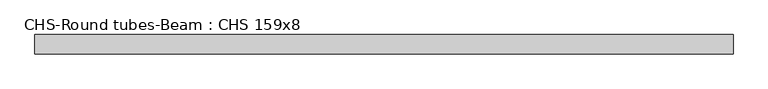
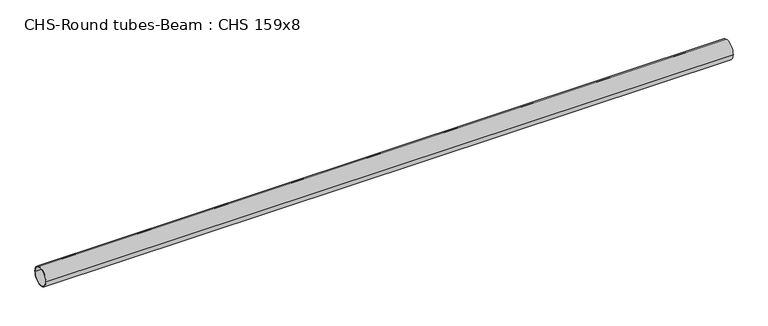
"""IFC4 building model written with IfcOpenShell, lengths in millimetres: beam geometry, CHS-Round tubes-Beam : CHS 159x8."""

from ifc_helpers import new_model, si_unit, point, frame, origin, origin_2d, place, context, project, spatial, circle_curve, trimmed, segment, composite_curve, outline, extrude, source, transform, mapped, element, save


def chs_round_tubes_beam_chs_159x8_42557c15(model_context):
    return source(origin(), model_context, "Body", "SweptSolid", [
        extrude(outline(composite_curve([segment(trimmed(circle_curve(origin_2d(), 79.5), [point((79.5, 0.0))], [point((-79.5, 0.0))], False, "CARTESIAN"), True, "CONTINUOUS"), segment(trimmed(circle_curve(origin_2d(), 79.5), [point((-79.5, 0.0))], [point((79.5, 0.0))], False, "CARTESIAN"), True, "CONTINUOUS")], self_intersect=False), holes=[composite_curve([segment(trimmed(circle_curve(origin_2d(), 71.5), [point((71.5, 0.0))], [point((-71.5, 0.0))], True, "CARTESIAN"), True, "CONTINUOUS"), segment(trimmed(circle_curve(origin_2d(), 71.5), [point((-71.5, 0.0))], [point((71.5, 0.0))], True, "CARTESIAN"), True, "CONTINUOUS")], self_intersect=False)]), frame((-2803.2532177, 0.0, 0.0), z_axis=(1.0, 0.0, 0.0), x_axis=(0.0, 1.0, 0.0)), (0.0, 0.0, 1.0), 5746.2472955),
    ])


if __name__ == "__main__":
    model = new_model("IFC4")
    model_context = context("Model", 3, world=origin())
    ifc_project = project(units=[si_unit("LENGTHUNIT", "METRE", prefix="MILLI")], contexts=[model_context])
    site = spatial("IfcSite", under=ifc_project)
    building = spatial("IfcBuilding", under=site)
    placement = place(None, origin())
    chs_round_tubes_beam_chs_159x8_shape = chs_round_tubes_beam_chs_159x8_42557c15(model_context)
    element("IfcBeam", 1, ObjectType="CHS-Round tubes-Beam : CHS 159x8", at=placement, inside=building, context=model_context, shape_type="MappedRepresentation", body=[
        mapped(chs_round_tubes_beam_chs_159x8_shape, transform((0.0, 0.0, 0.0), x_axis=(1.0, 0.0, 0.0), y_axis=(0.0, 1.0, 0.0), z_axis=(0.0, 0.0, 1.0))),
    ])
    save(model, "model.ifc")
